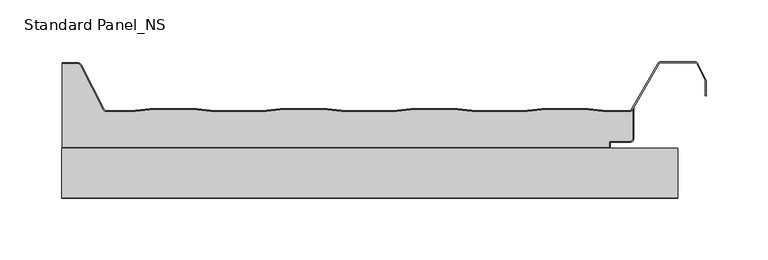
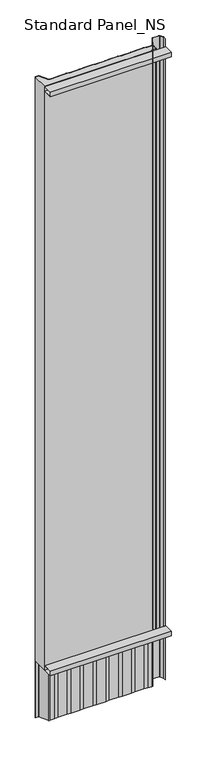
"""IFC4 building model written with IfcOpenShell, lengths in millimetres: proxy geometry, Standard Panel_NS."""

from ifc_helpers import new_model, si_unit, point, frame, frame_2d, origin, origin_with_axes, place, context, project, spatial, polyline, circle_curve, trimmed, segment, composite_curve, outline, extrude, source, transform, mapped, element, save


def standard_panel_ns_ac1f757c(model_context):
    return source(origin(), model_context, "Body", "SweptSolid", [
        extrude(outline(polyline([(40.0, 0.0), (0.0, 0.0), (0.0, 20.0), (40.0, 20.0), (40.0, 0.0)]), holes=[polyline([(0.9, 19.1), (0.9, 0.9), (39.1, 0.9), (39.1, 19.1), (0.9, 19.1)])]), frame((-249.9999998, 0.0, 0.0), z_axis=(1.0, 0.0, 0.0), x_axis=(0.0, 1.0, 0.0)), (0.0, 0.0, 1.0), 499.9999997),
        extrude(outline(polyline([(40.0, 2549.5097568), (40.0, 2529.5097568), (0.0, 2529.5097568), (0.0, 2549.5097568), (40.0, 2549.5097568)]), holes=[polyline([(0.9, 2548.6097568), (0.9, 2530.4097568), (39.1, 2530.4097568), (39.1, 2548.6097568), (0.9, 2548.6097568)])]), frame((-249.9999998, 0.0, 0.0), z_axis=(1.0, 0.0, 0.0), x_axis=(0.0, 1.0, 0.0)), (0.0, 0.0, 1.0), 499.9999997),
        extrude(outline(composite_curve([segment(trimmed(circle_curve(frame_2d((211.2333676, 47.9776976)), 2.1), [point((213.3333676, 47.9776976))], [point((211.2333676, 45.8776976))], False, "CARTESIAN"), True, "CONTINUOUS"), segment(polyline([(211.2333676, 45.8776976), (194.4044995, 45.8776976), (194.4044995, 40.8776976), (-249.4999998, 40.8776976), (-249.4999998, 108.61), (-236.856809, 108.61)]), True, "CONTINUOUS"), segment(trimmed(circle_curve(frame_2d((-236.856809, 106.41)), 2.2), [point((-236.856809, 108.61))], [point((-234.886672, 107.389061))], False, "CARTESIAN"), True, "CONTINUOUS"), segment(polyline([(-234.886672, 107.389061), (-216.5484349, 71.7067576)]), True, "CONTINUOUS"), segment(trimmed(circle_curve(frame_2d((-213.150958, 73.4088594)), 3.8), [point((-216.5484349, 71.7067576))], [point((-213.150958, 69.6088594))], True, "CARTESIAN"), True, "CONTINUOUS"), segment(polyline([(-213.150958, 69.6088594), (-193.3070694, 69.6088594), (-178.4996096, 71.4), (-140.4767285, 71.4), (-125.6575299, 69.6074394), (-87.3188082, 69.6074394), (-72.4996096, 71.4), (-34.4767285, 71.4), (-19.6433531, 69.6057246), (18.667015, 69.6057246), (33.5003904, 71.4), (71.5232715, 71.4), (86.3708237, 69.6040097), (124.6528382, 69.6040097), (139.5003904, 71.4), (177.5232715, 71.4), (192.3850005, 69.6022949), (210.2255766, 69.6022949)]), True, "CONTINUOUS"), segment(trimmed(circle_curve(frame_2d((210.179188, 73.4020117)), 3.8), [point((210.2255766, 69.6022949))], [point((213.3333676, 71.2827781))], True, "CARTESIAN"), True, "CONTINUOUS"), segment(polyline([(213.3333676, 71.2827781), (213.3333676, 47.9776976)]), True, "CONTINUOUS")], self_intersect=False)), origin_with_axes(), (0.0, 0.0, 1.0), 2549.5097568),
        extrude(outline(composite_curve([segment(trimmed(circle_curve(frame_2d((-236.856809, 106.41)), 3.0), [point((-236.856809, 109.41))], [point((-234.1728576, 107.7503003))], False, "CARTESIAN"), True, "CONTINUOUS"), segment(polyline([(-234.1728576, 107.7503003), (-215.8349094, 72.0685591)]), True, "CONTINUOUS"), segment(trimmed(circle_curve(frame_2d((-213.150958, 73.4088594)), 3.0), [point((-215.8349094, 72.0685591))], [point((-213.150958, 70.4088594))], True, "CARTESIAN"), True, "CONTINUOUS"), segment(polyline([(-213.150958, 70.4088594), (-193.3552785, 70.4088594), (-178.5478187, 72.2), (-140.4285194, 72.2), (-125.6093208, 70.4074394), (-87.3670173, 70.4074394), (-72.5478187, 72.2), (-34.4285194, 72.2), (-19.595144, 70.4057246), (18.6188059, 70.4057246), (33.4521813, 72.2), (71.5714806, 72.2), (86.4190328, 70.4040097), (124.6046291, 70.4040097), (139.4521813, 72.2), (177.5714806, 72.2), (192.4332096, 70.4022949), (210.1379709, 70.4022949)]), True, "CONTINUOUS"), segment(trimmed(circle_curve(frame_2d((210.179188, 73.4020117)), 3.0), [point((210.1379709, 70.4022949))], [point((212.8067154, 71.9542204))], True, "CARTESIAN"), True, "CONTINUOUS"), segment(polyline([(212.8067154, 71.9542204), (233.7091409, 108.8490344)]), True, "CONTINUOUS"), segment(trimmed(circle_curve(frame_2d((236.3366683, 107.401243)), 3.0), [point((233.7091409, 108.8490344))], [point((236.3366683, 110.401243))], False, "CARTESIAN"), True, "CONTINUOUS"), segment(polyline([(236.3366683, 110.401243), (263.6856737, 110.401243)]), True, "CONTINUOUS"), segment(trimmed(circle_curve(frame_2d((263.6856737, 107.401243)), 3.0), [point((263.6856737, 110.401243))], [point((266.3696251, 108.7415434))], False, "CARTESIAN"), True, "CONTINUOUS"), segment(polyline([(266.3696251, 108.7415434), (272.89881, 95.6668507)]), True, "CONTINUOUS"), segment(trimmed(circle_curve(frame_2d((270.2148586, 94.3265504)), 3.0), [point((272.89881, 95.6668507))], [point((273.2148586, 94.3265504))], False, "CARTESIAN"), True, "CONTINUOUS"), segment(polyline([(273.2148586, 94.3265504), (273.2148586, 82.8571101), (272.4148586, 82.8571101), (272.4148586, 94.3265504)]), True, "CONTINUOUS"), segment(trimmed(circle_curve(frame_2d((270.2148586, 94.3265504)), 2.2), [point((272.4148586, 94.3265504))], [point((272.1830896, 95.3094373))], True, "CARTESIAN"), True, "CONTINUOUS"), segment(polyline([(272.1830896, 95.3094373), (265.6539047, 108.3841299)]), True, "CONTINUOUS"), segment(trimmed(circle_curve(frame_2d((263.6856737, 107.401243)), 2.2), [point((265.6539047, 108.3841299))], [point((263.6856737, 109.601243))], True, "CARTESIAN"), True, "CONTINUOUS"), segment(polyline([(263.6856737, 109.601243), (236.3366683, 109.601243)]), True, "CONTINUOUS"), segment(trimmed(circle_curve(frame_2d((236.3366683, 107.401243)), 2.2), [point((236.3366683, 109.601243))], [point((234.4077106, 108.4591287))], True, "CARTESIAN"), True, "CONTINUOUS"), segment(polyline([(234.4077106, 108.4591287), (213.5049667, 71.5637527)]), True, "CONTINUOUS"), segment(trimmed(circle_curve(frame_2d((210.179188, 73.4020117)), 3.8), [point((213.5049667, 71.5637527))], [point((210.1327994, 69.6022949))], False, "CARTESIAN"), True, "CONTINUOUS"), segment(polyline([(210.1327994, 69.6022949), (192.3850005, 69.6022949), (177.5232715, 71.4), (139.5003904, 71.4), (124.6528382, 69.6040097), (86.3708237, 69.6040097), (71.5232715, 71.4), (33.5003904, 71.4), (18.667015, 69.6057246), (-19.6433531, 69.6057246), (-34.4767285, 71.4), (-72.4996096, 71.4), (-87.3188082, 69.6074394), (-125.6575299, 69.6074394), (-140.4767285, 71.4), (-178.4996096, 71.4), (-193.3070694, 69.6088594), (-213.150958, 69.6088594)]), True, "CONTINUOUS"), segment(trimmed(circle_curve(frame_2d((-213.150958, 73.4088594)), 3.8), [point((-213.150958, 69.6088594))], [point((-216.5484349, 71.7067576))], False, "CARTESIAN"), True, "CONTINUOUS"), segment(polyline([(-216.5484349, 71.7067576), (-234.886672, 107.389061)]), True, "CONTINUOUS"), segment(trimmed(circle_curve(frame_2d((-236.856809, 106.41)), 2.2), [point((-234.886672, 107.389061))], [point((-236.856809, 108.61))], True, "CARTESIAN"), True, "CONTINUOUS"), segment(polyline([(-236.856809, 108.61), (-249.4999998, 108.61), (-249.4999998, 109.41), (-236.856809, 109.41)]), True, "CONTINUOUS")], self_intersect=False)), frame((0.0, 0.0, -250.0), z_axis=(0.0, 0.0, 1.0), x_axis=(1.0, 0.0, 0.0)), (0.0, 0.0, 1.0), 2799.5097568),
        extrude(outline(composite_curve([segment(polyline([(194.4044995, 40.9), (194.4044995, 45.9), (211.2333676, 45.9)]), True, "CONTINUOUS"), segment(trimmed(circle_curve(frame_2d((211.2333676, 48.0)), 2.1), [point((211.2333676, 45.9))], [point((213.3333676, 48.0))], True, "CARTESIAN"), True, "CONTINUOUS"), segment(polyline([(213.3333676, 48.0), (213.3333676, 71.2827781), (214.2333676, 72.8494512), (214.2333676, 48.0)]), True, "CONTINUOUS"), segment(trimmed(circle_curve(frame_2d((211.2333676, 48.0)), 3.0), [point((214.2333676, 48.0))], [point((211.2333676, 45.0))], False, "CARTESIAN"), True, "CONTINUOUS"), segment(polyline([(211.2333676, 45.0), (195.3044995, 45.0), (195.3044995, 40.0), (-249.4999998, 40.0), (-249.4999998, 40.9), (194.4044995, 40.9)]), True, "CONTINUOUS")], self_intersect=False)), origin_with_axes(), (0.0, 0.0, 1.0), 2549.5097568),
    ])


if __name__ == "__main__":
    model = new_model("IFC4")
    model_context = context("Model", 3, world=origin())
    ifc_project = project(units=[si_unit("LENGTHUNIT", "METRE", prefix="MILLI")], contexts=[model_context])
    site = spatial("IfcSite", under=ifc_project)
    building = spatial("IfcBuilding", under=site)
    placement = place(None, origin())
    standard_panel_ns_shape = standard_panel_ns_ac1f757c(model_context)
    element("IfcBuildingElementProxy", 1, Name="Standard Panel_NS", ObjectType="Standard Panel_NS", at=placement, inside=building, context=model_context, shape_type="MappedRepresentation", body=[
        mapped(standard_panel_ns_shape, transform((0.0, 0.0, 0.0), x_axis=(1.0, 0.0, 0.0), y_axis=(0.0, 1.0, 0.0), z_axis=(0.0, 0.0, 1.0))),
    ])
    save(model, "model.ifc")
